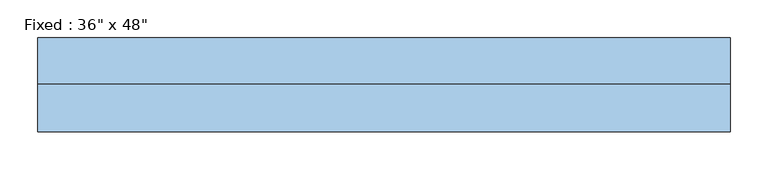
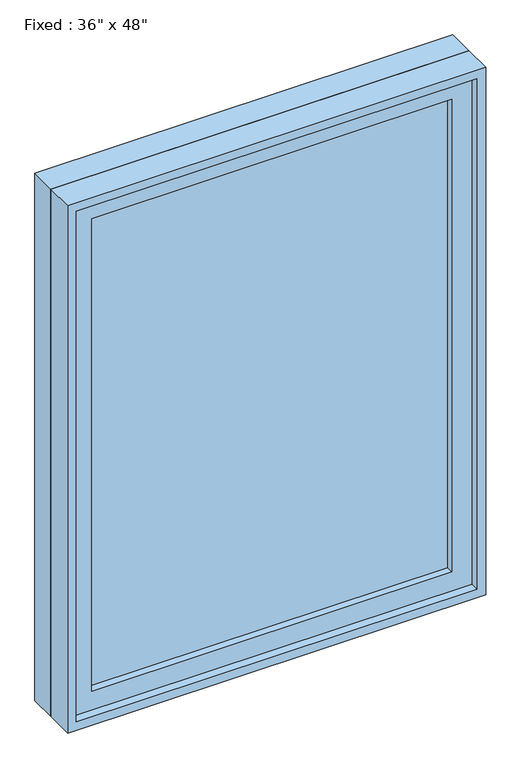
"""IFC4 building model written with IfcOpenShell, lengths in millimetres: window geometry."""

import ifcopenshell
import ifcopenshell.guid

model = None  # the IFC model being written
_history = None  # IfcOwnerHistory: only IFC2X3 demands one
_inside = {}  # id of a spatial element -> (the spatial element, [elements in it])
_under = {}  # id of a project, library or spatial element -> (it, [spatial elements below it])
_declared = {}  # id of a project -> (the project, [libraries it declares])
_typed = {}  # id of a type object -> (the type object, [elements of that type])
_made_of = {}  # id of a material, layer set ... -> (it, [elements and type objects made of it])


def new_model(schema):
    """Start an empty IFC model of exactly this schema.

    Asked for "IFC4X3", IfcOpenShell would pick the latest addendum, in which some entities
    have other attributes; the version numbers below select the first issue.
    IFC2X3 requires an IfcOwnerHistory on every rooted entity: one is made here for all.
    """
    global model, _history
    if schema == "IFC4X3":
        model = ifcopenshell.file(schema_version=(4, 3, 0, 0))
    else:
        model = ifcopenshell.file(schema=schema)
    _inside.clear()
    _under.clear()
    _declared.clear()
    _typed.clear()
    _made_of.clear()
    _history = None
    if model.schema == "IFC2X3":
        org = make("IfcOrganization", Name="unknown")
        user = make(
            "IfcPersonAndOrganization",
            ThePerson=make("IfcPerson", FamilyName="unknown"),
            TheOrganization=org,
        )
        app = make(
            "IfcApplication",
            ApplicationDeveloper=org,
            Version="unknown",
            ApplicationFullName="unknown",
            ApplicationIdentifier="unknown",
        )
        _history = make(
            "IfcOwnerHistory",
            OwningUser=user,
            OwningApplication=app,
            ChangeAction="ADDED",
            CreationDate=0,
        )
    return model


def make(cls, **values):
    """One entity of the class cls with the attributes given. An attribute that is None is left unset."""
    return model.create_entity(
        cls, **{name: value for name, value in values.items() if value is not None}
    )


def rooted(cls, **values):
    """An entity with a GlobalId (a new one), such as an element, a storey or a relation."""
    return make(cls, GlobalId=ifcopenshell.guid.new(), OwnerHistory=_history, **values)


def si_unit(unit_type, name, prefix=None):
    """IfcSIUnit, for example si_unit("LENGTHUNIT", "METRE", prefix="MILLI")."""
    return make("IfcSIUnit", UnitType=unit_type, Prefix=prefix, Name=name)


def assignment(units):
    """IfcUnitAssignment: the units of a project."""
    return None if units is None else make("IfcUnitAssignment", Units=units)


def point(xyz):
    """IfcCartesianPoint."""
    return None if xyz is None else make("IfcCartesianPoint", Coordinates=xyz)


def direction(xyz):
    """IfcDirection."""
    return None if xyz is None else make("IfcDirection", DirectionRatios=xyz)


def frame(location, z_axis=None, x_axis=None):
    """IfcAxis2Placement3D, a coordinate frame: its origin and axes. An axis left out is left unset."""
    return make(
        "IfcAxis2Placement3D",
        Location=point(location),
        Axis=direction(z_axis),
        RefDirection=direction(x_axis),
    )


def origin():
    """The frame at (0, 0, 0) with its axes left unset."""
    return frame((0.0, 0.0, 0.0))


def place(relative_to, where):
    """IfcLocalPlacement: puts the frame where relative to a parent placement (None: the world)."""
    return make(
        "IfcLocalPlacement", PlacementRelTo=relative_to, RelativePlacement=where
    )


def context(
    kind, dimensions, precision=None, world=None, true_north=None, identifier=None
):
    """IfcGeometricRepresentationContext, for example the 3D "Model" context."""
    return make(
        "IfcGeometricRepresentationContext",
        ContextIdentifier=identifier,
        ContextType=kind,
        CoordinateSpaceDimension=dimensions,
        Precision=precision,
        WorldCoordinateSystem=world,
        TrueNorth=true_north,
    )


def project(units=None, contexts=None):
    """IfcProject with its units and contexts."""
    return rooted(
        "IfcProject",
        Name="project",
        RepresentationContexts=contexts,
        UnitsInContext=assignment(units),
    )


def spatial(cls, under=None, at=None, **own):
    """A site, building, storey or space (cls), placed at a placement, below another one or the project."""
    s = rooted(cls, ObjectPlacement=at, **own)
    if under is not None:
        _under.setdefault(under.id(), (under, []))[1].append(s)
    return s


def polyline(points):
    """IfcPolyline through the points."""
    return make("IfcPolyline", Points=[point(p) for p in points])


def outline(outer, holes=None, kind="AREA"):
    """IfcArbitraryClosedProfileDef: a profile drawn as a closed curve; with holes, ...WithVoids."""
    if holes is None:
        return make("IfcArbitraryClosedProfileDef", ProfileType=kind, OuterCurve=outer)
    return make(
        "IfcArbitraryProfileDefWithVoids",
        ProfileType=kind,
        OuterCurve=outer,
        InnerCurves=holes,
    )


def extrude(swept, where, along, depth):
    """IfcExtrudedAreaSolid: the profile swept, set in the frame where, extruded along a direction by depth."""
    return make(
        "IfcExtrudedAreaSolid",
        SweptArea=swept,
        Position=where,
        ExtrudedDirection=direction(along),
        Depth=depth,
    )


def shape(context_of_items, identifier, shape_type, items):
    """IfcShapeRepresentation: the items that make up one representation, for example the "Body"."""
    return make(
        "IfcShapeRepresentation",
        ContextOfItems=context_of_items,
        RepresentationIdentifier=identifier,
        RepresentationType=shape_type,
        Items=items,
    )


def source(mapping_origin, context_of_items, identifier, shape_type, items):
    """IfcRepresentationMap: a shape defined once, which mapped items show again and again."""
    return make(
        "IfcRepresentationMap",
        MappingOrigin=mapping_origin,
        MappedRepresentation=shape(context_of_items, identifier, shape_type, items),
    )


def transform(
    local_origin,
    x_axis=None,
    y_axis=None,
    z_axis=None,
    scale=None,
    scale2=None,
    scale3=None,
    uniform=True,
):
    """IfcCartesianTransformationOperator3D, or its non-uniform kind. x_axis, y_axis, z_axis: its Axis1, 2, 3."""
    if uniform:
        return make(
            "IfcCartesianTransformationOperator3D",
            Axis1=direction(x_axis),
            Axis2=direction(y_axis),
            LocalOrigin=point(local_origin),
            Scale=scale,
            Axis3=direction(z_axis),
        )
    return make(
        "IfcCartesianTransformationOperator3DnonUniform",
        Axis1=direction(x_axis),
        Axis2=direction(y_axis),
        LocalOrigin=point(local_origin),
        Scale=scale,
        Axis3=direction(z_axis),
        Scale2=scale2,
        Scale3=scale3,
    )


def mapped(mapping_source, mapping_target):
    """IfcMappedItem: shows the shape of a source again, moved by a transform."""
    return make(
        "IfcMappedItem", MappingSource=mapping_source, MappingTarget=mapping_target
    )


def made_of(thing, what):
    """Note that an element or type object is made of a material, layer set ...; save() writes the relation."""
    if what is not None:
        _made_of.setdefault(what.id(), (what, []))[1].append(thing)
    return thing


def element(
    cls,
    number,
    at=None,
    inside=None,
    cuts=None,
    type_object=None,
    material=None,
    context=None,
    identifier="Body",
    shape_type=None,
    held_by="IfcProductDefinitionShape",
    body=None,
    shapes=None,
    **own,
):
    """One element of the class cls, such as IfcWall. Its Tag is "e" and its number.

    at: its placement. inside: the storey or other place that contains it. cuts: it is an
    opening in that element (IfcRelVoidsElement). A single representation is given by context,
    identifier, shape_type and body (its items); several are given by shapes. held_by: the class
    of the entity that holds the representations. save() writes the other relations.
    """
    e = rooted(cls, Tag="e%d" % number, ObjectPlacement=at, **own)
    if body is not None:
        shapes = [shape(context, identifier, shape_type, body)]
    if shapes is not None:
        e.Representation = make(held_by, Representations=shapes)
    if inside is not None:
        _inside.setdefault(inside.id(), (inside, []))[1].append(e)
    if cuts is not None:
        rooted(
            "IfcRelVoidsElement", RelatingBuildingElement=cuts, RelatedOpeningElement=e
        )
    if type_object is not None:
        _typed.setdefault(type_object.id(), (type_object, []))[1].append(e)
    return made_of(e, material)


def aggregate(whole, parts):
    """IfcRelAggregates: a whole, such as a stair, and the parts it consists of."""
    return rooted("IfcRelAggregates", RelatingObject=whole, RelatedObjects=parts)


def save(model, path):
    """Write the relations noted so far, then the file.

    IfcRelAggregates (storeys below a building ...), IfcRelContainedInSpatialStructure (elements
    in a storey), IfcRelDefinesByType, IfcRelAssociatesMaterial and IfcRelDeclares: one each for
    every whole, place, type object, material and project.
    """
    for whole, parts in _under.values():
        aggregate(whole, parts)
    for where, things in _inside.values():
        rooted(
            "IfcRelContainedInSpatialStructure",
            RelatedElements=things,
            RelatingStructure=where,
        )
    for kind, things in _typed.values():
        rooted("IfcRelDefinesByType", RelatedObjects=things, RelatingType=kind)
    for what, things in _made_of.values():
        rooted("IfcRelAssociatesMaterial", RelatedObjects=things, RelatingMaterial=what)
    for by, libraries in _declared.values():
        rooted("IfcRelDeclares", RelatingContext=by, RelatedDefinitions=libraries)
    model.write(path)


def window_254735d6(model_context):
    return source(origin(), model_context, "Body", "SweptSolid", [
        extrude(outline(polyline([(355.6, -14.2875), (355.6, -26.9875), (-431.8, -26.9875), (-431.8, -14.2875), (355.6, -14.2875)])), frame((0.0, 0.0, 977.9), z_axis=(0.0, 0.0, 1.0), x_axis=(1.0, 0.0, 0.0)), (0.0, 0.0, 1.0), 1092.2),
        extrude(outline(polyline([(2114.55, -476.25), (933.45, -476.25), (933.45, 400.05), (2114.55, 400.05), (2114.55, -476.25)]), holes=[polyline([(2070.1, -431.8), (2070.1, 355.6), (977.9, 355.6), (977.9, -431.8), (2070.1, -431.8)])]), frame((0.0, -42.8625, 0.0), z_axis=(0.0, 1.0, 0.0), x_axis=(0.0, 0.0, 1.0)), (0.0, 0.0, 1.0), 44.45),
        extrude(outline(polyline([(2133.6, -495.3), (914.4, -495.3), (914.4, 419.1), (2133.6, 419.1), (2133.6, -495.3)]), holes=[polyline([(2101.85, -463.55), (2101.85, 387.35), (946.15, 387.35), (946.15, -463.55), (2101.85, -463.55)])]), frame((0.0, 1.5875, 0.0), z_axis=(0.0, 1.0, 0.0), x_axis=(0.0, 0.0, 1.0)), (0.0, 0.0, 1.0), 60.325),
        extrude(outline(polyline([(2133.6, 419.1), (2133.6, -495.3), (914.4, -495.3), (914.4, 419.1), (2133.6, 419.1)]), holes=[polyline([(2114.55, 400.05), (933.45, 400.05), (933.45, -476.25), (2114.55, -476.25), (2114.55, 400.05)])]), frame((0.0, -61.9125, 0.0), z_axis=(0.0, 1.0, 0.0), x_axis=(0.0, 0.0, 1.0)), (0.0, 0.0, 1.0), 63.5),
    ])


if __name__ == "__main__":
    model = new_model("IFC4")
    model_context = context("Model", 3, world=origin())
    ifc_project = project(units=[si_unit("LENGTHUNIT", "METRE", prefix="MILLI")], contexts=[model_context])
    site = spatial("IfcSite", under=ifc_project)
    building = spatial("IfcBuilding", under=site)
    placement = place(None, origin())
    window_shape = window_254735d6(model_context)
    element("IfcWindow", 1, ObjectType="Fixed : 36\" x 48\"", at=placement, inside=building, context=model_context, shape_type="MappedRepresentation", body=[
        mapped(window_shape, transform((0.0, 0.0, 0.0), x_axis=(1.0, 0.0, 0.0), y_axis=(0.0, 1.0, 0.0), z_axis=(0.0, 0.0, 1.0))),
    ])
    save(model, "model.ifc")
